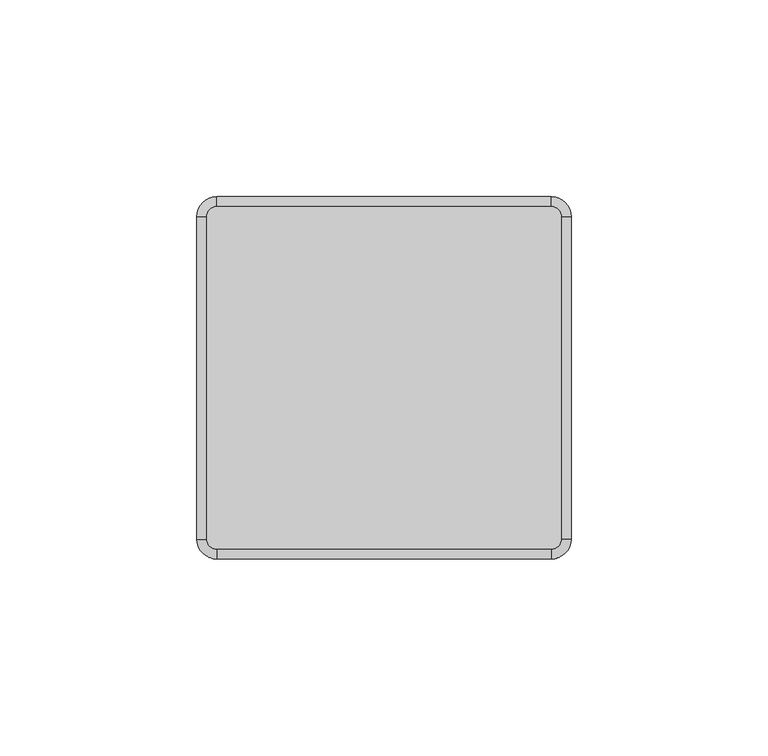
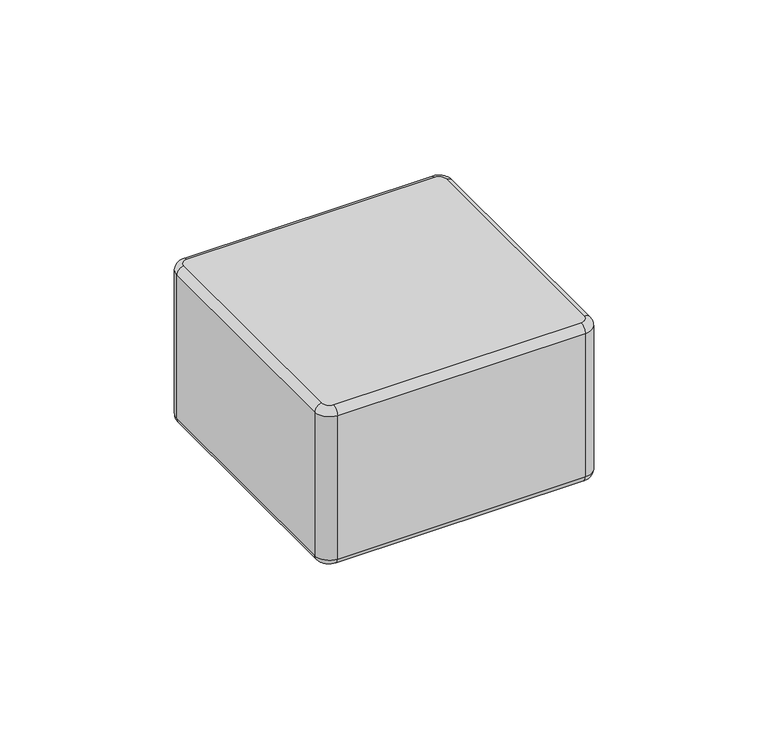
"""IFC4 building model written with IfcOpenShell, lengths in millimetres: plate geometry."""

from ifc_helpers import new_model, si_unit, point, frame, origin, place, context, project, spatial, circle_curve, ellipse_curve, trimmed, source, transform, mapped, element, save
from ifc_brep_helpers import plane_surface, cylinder_surface, revolved_surface, advanced_brep


def plate_2b5b68ee(model_context):
    return source(origin(), model_context, "Body", "AdvancedBrep", [
        advanced_brep(
        [(45.8616994, 41.0, 57.0), (43.3616994, 43.5, 57.0), (-41.6383006, 43.5, 57.0), (-44.1383006, 41.0, 57.0), (-44.1383006, -41.0, 57.0), (-41.6383006, -43.5, 57.0), (43.3616994, -43.5, 57.0), (45.8616994, -41.0, 57.0), (-44.1383006, 41.0, 0.0), (-41.6383006, 43.5, 0.0), (43.3616994, 43.5, 0.0), (45.8616994, 41.0, 0.0), (45.8616994, -41.0, 0.0), (43.3616994, -43.5, 0.0), (-41.6383006, -43.5, 0.0), (-44.1383006, -41.0, 0.0), (-41.6383006, -46.0, 2.5), (43.3616994, -46.0, 2.5), (43.3616994, -46.0, 54.5), (-41.6383006, -46.0, 54.5), (48.3616994, -41.0, 2.5), (48.3616994, 41.0, 2.5), (48.3616994, 41.0, 54.5000019), (48.3616994, -41.0, 54.5), (43.3616994, 46.0, 2.5), (-41.6383006, 46.0, 2.5), (-41.6383006, 46.0, 54.5), (43.3616994, 46.0, 54.5), (-46.6383006, 41.0, 2.5), (-46.6383006, -41.0, 2.5), (-46.6383006, -41.0, 54.5), (-46.6383006, 41.0, 54.5)],
        [
            (0, 1, circle_curve(frame((43.3616994, 41.0, 57.0), z_axis=(0.0, 0.0, 1.0), x_axis=(1.0, 0.0, 0.0)), 2.5)),
            (1, 2),
            (2, 3, circle_curve(frame((-41.6383006, 41.0, 57.0), z_axis=(0.0, 0.0, 1.0), x_axis=(0.0, 1.0, 0.0)), 2.5)),
            (3, 4),
            (4, 5, circle_curve(frame((-41.6383006, -41.0, 57.0), z_axis=(0.0, 0.0, 1.0), x_axis=(-1.0, 0.0, 0.0)), 2.5)),
            (5, 6),
            (6, 7, circle_curve(frame((43.3616994, -41.0, 57.0), z_axis=(0.0, 0.0, 1.0), x_axis=(0.0, -1.0, 0.0)), 2.5)),
            (7, 0),
            (8, 9, circle_curve(frame((-41.6383006, 41.0, 0.0), z_axis=(0.0, 0.0, -1.0), x_axis=(-1.0, 0.0, 0.0)), 2.5)),
            (9, 10),
            (10, 11, circle_curve(frame((43.3616994, 41.0, 0.0), z_axis=(0.0, 0.0, -1.0), x_axis=(0.0, 1.0, 0.0)), 2.5)),
            (11, 12),
            (12, 13, circle_curve(frame((43.3616994, -41.0, 0.0), z_axis=(0.0, 0.0, -1.0), x_axis=(1.0, 0.0, 0.0)), 2.5)),
            (13, 14),
            (14, 15, circle_curve(frame((-41.6383006, -41.0, 0.0), z_axis=(0.0, 0.0, -1.0), x_axis=(0.0, -1.0, 0.0)), 2.5)),
            (15, 8),
            (16, 17),
            (17, 18),
            (18, 19),
            (19, 16),
            (20, 21),
            (21, 22),
            (22, 23),
            (23, 20),
            (24, 25),
            (25, 26),
            (26, 27),
            (27, 24),
            (28, 29),
            (29, 30),
            (30, 31),
            (31, 28),
            (29, 16, circle_curve(frame((-41.6383006, -41.0, 2.5), z_axis=(0.0, 0.0, 1.0), x_axis=(1.0, 0.0, 0.0)), 5.0)),
            (19, 30, circle_curve(frame((-41.6383006, -41.0, 54.5), z_axis=(0.0, 0.0, -1.0), x_axis=(1.0, 0.0, 0.0)), 5.0)),
            (17, 20, circle_curve(frame((43.3616994, -41.0, 2.5), z_axis=(0.0, 0.0, 1.0), x_axis=(1.0, 0.0, 0.0)), 5.0)),
            (23, 18, circle_curve(frame((43.3616994, -41.0, 54.5), z_axis=(0.0, 0.0, -1.0), x_axis=(1.0, 0.0, 0.0)), 5.0)),
            (21, 24, circle_curve(frame((43.3616994, 41.0, 2.5), z_axis=(0.0, 0.0, 1.0), x_axis=(1.0, 0.0, 0.0)), 5.0)),
            (27, 22, circle_curve(frame((43.3616994, 41.0, 54.5), z_axis=(0.0, 0.0, -1.0), x_axis=(1.0, 0.0, 0.0)), 5.0)),
            (25, 28, circle_curve(frame((-41.6383006, 41.0, 2.5), z_axis=(0.0, 0.0, 1.0), x_axis=(1.0, 0.0, 0.0)), 5.0)),
            (31, 26, circle_curve(frame((-41.6383006, 41.0, 54.5), z_axis=(0.0, 0.0, -1.0), x_axis=(1.0, 0.0, 0.0)), 5.0)),
            (25, 9, circle_curve(frame((-41.6383006, 43.5, 2.5), z_axis=(-1.0, 0.0, 0.0), x_axis=(0.0, -1.0, 0.0)), 2.5)),
            (8, 28, circle_curve(frame((-44.1383006, 41.0, 2.5), z_axis=(0.0, 1.0, 0.0), x_axis=(1.0, 0.0, 0.0)), 2.5)),
            (24, 10, circle_curve(frame((43.3616994, 43.5, 2.5), z_axis=(-1.0, 0.0, 0.0), x_axis=(0.0, -1.0, 0.0)), 2.5)),
            (21, 11, circle_curve(frame((45.8616994, 41.0, 2.5), z_axis=(0.0, 1.0, 0.0), x_axis=(-1.0, 0.0, 0.0)), 2.5)),
            (20, 12, circle_curve(frame((45.8616994, -41.0, 2.5), z_axis=(0.0, 1.0, 0.0), x_axis=(-1.0, 0.0, 0.0)), 2.5)),
            (17, 13, circle_curve(frame((43.3616994, -43.5, 2.5), z_axis=(1.0, 0.0, 0.0), x_axis=(0.0, 1.0, 0.0)), 2.5)),
            (16, 14, circle_curve(frame((-41.6383006, -43.5, 2.5), z_axis=(1.0, 0.0, 0.0), x_axis=(0.0, 1.0, 0.0)), 2.5)),
            (29, 15, circle_curve(frame((-44.1383006, -41.0, 2.5), z_axis=(0.0, -1.0, 0.0), x_axis=(1.0, 0.0, 0.0)), 2.5)),
            (27, 1, circle_curve(frame((43.3616994, 43.5, 54.5), z_axis=(1.0, 0.0, 0.0), x_axis=(0.0, -1.0, 0.0)), 2.5)),
            (0, 22, circle_curve(frame((45.8616994, 41.0, 54.5), z_axis=(0.0, 1.0, 0.0), x_axis=(-1.0, 0.0, 0.0)), 2.5)),
            (26, 2, circle_curve(frame((-41.6383006, 43.5, 54.5), z_axis=(1.0, 0.0, 0.0), x_axis=(0.0, -1.0, 0.0)), 2.5)),
            (31, 3, circle_curve(frame((-44.1383006, 41.0, 54.5), z_axis=(0.0, 1.0, 0.0), x_axis=(1.0, 0.0, 0.0)), 2.5)),
            (30, 4, circle_curve(frame((-44.1383006, -41.0, 54.5), z_axis=(0.0, 1.0, 0.0), x_axis=(1.0, 0.0, 0.0)), 2.5)),
            (19, 5, circle_curve(frame((-41.6383006, -43.5, 54.5), z_axis=(-1.0, 0.0, 0.0), x_axis=(0.0, 1.0, 0.0)), 2.5)),
            (18, 6, circle_curve(frame((43.3616994, -43.5, 54.5), z_axis=(-1.0, 0.0, 0.0), x_axis=(0.0, 1.0, 0.0)), 2.5)),
            (23, 7, circle_curve(frame((45.8616994, -41.0, 54.5), z_axis=(0.0, -1.0, 0.0), x_axis=(-1.0, 0.0, 0.0)), 2.5)),
        ],
        [
            plane_surface(frame((-36.6383006, -41.0, 57.0), z_axis=(0.0, 0.0, 1.0), x_axis=(0.0, 1.0, 0.0))),
            plane_surface(frame((-36.6383006, -41.0, 0.0), z_axis=(0.0, 0.0, -1.0), x_axis=(0.0, -1.0, 0.0))),
            plane_surface(frame((-41.6383006, -46.0, 57.0), z_axis=(0.0, -1.0, 0.0), x_axis=(0.0, 0.0, -1.0))),
            plane_surface(frame((48.3616994, -41.0, 57.0), z_axis=(1.0, 0.0, 0.0), x_axis=(0.0, 0.0, -1.0))),
            plane_surface(frame((43.3616994, 46.0, 57.0), z_axis=(0.0, 1.0, 0.0), x_axis=(0.0, 0.0, -1.0))),
            plane_surface(frame((-46.6383006, 41.0, 57.0), z_axis=(-1.0, 0.0, 0.0), x_axis=(0.0, 0.0, -1.0))),
            cylinder_surface(frame((-41.6383006, -41.0, 0.0), z_axis=(0.0, 0.0, 1.0), x_axis=(1.0, 0.0, 0.0)), 5.0),
            cylinder_surface(frame((43.3616994, -41.0, 0.0), z_axis=(0.0, 0.0, 1.0), x_axis=(1.0, 0.0, 0.0)), 5.0),
            cylinder_surface(frame((43.3616994, 41.0, 0.0), z_axis=(0.0, 0.0, 1.0), x_axis=(1.0, 0.0, 0.0)), 5.0),
            cylinder_surface(frame((-41.6383006, 41.0, 0.0), z_axis=(0.0, 0.0, 1.0), x_axis=(1.0, 0.0, 0.0)), 5.0),
            revolved_surface(trimmed(ellipse_curve(frame((-44.1383006, 41.0, 2.5), z_axis=(0.0, -1.0, 0.0), x_axis=(1.0, 0.0, 0.0)), 2.5, 2.5), [point((-46.6383006, 41.0, 2.5))], [point((-44.1383006, 41.0, 0.0))], True, "CARTESIAN"), (-41.6383006, 41.0, 0.0), (0.0, 0.0, -1.0)),
            cylinder_surface(frame((-41.6383006, 43.5, 2.5), z_axis=(1.0, 0.0, 0.0), x_axis=(0.0, -1.0, 0.0)), 2.5),
            revolved_surface(trimmed(ellipse_curve(frame((43.3616994, 43.5, 2.5), z_axis=(-1.0, 0.0, 0.0), x_axis=(0.0, -1.0, 0.0)), 2.5, 2.5), [point((43.3616994, 46.0, 2.5))], [point((43.3616994, 43.5, 0.0))], True, "CARTESIAN"), (43.3616994, 41.0, 0.0), (0.0, 0.0, -1.0)),
            cylinder_surface(frame((45.8616994, 41.0, 2.5), z_axis=(0.0, -1.0, 0.0), x_axis=(-1.0, 0.0, 0.0)), 2.5),
            revolved_surface(trimmed(ellipse_curve(frame((45.8616994, -41.0, 2.5), z_axis=(0.0, 1.0, 0.0), x_axis=(-1.0, 0.0, 0.0)), 2.5, 2.5), [point((48.3616994, -41.0, 2.5))], [point((45.8616994, -41.0, 0.0))], True, "CARTESIAN"), (43.3616994, -41.0, 0.0), (0.0, 0.0, -1.0)),
            cylinder_surface(frame((43.3616994, -43.5, 2.5), z_axis=(-1.0, 0.0, 0.0), x_axis=(0.0, 1.0, 0.0)), 2.5),
            revolved_surface(trimmed(ellipse_curve(frame((-41.6383006, -43.5, 2.5), z_axis=(1.0, 0.0, 0.0), x_axis=(0.0, 1.0, 0.0)), 2.5, 2.5), [point((-41.6383006, -46.0, 2.5))], [point((-41.6383006, -43.5, 0.0))], True, "CARTESIAN"), (-41.6383006, -41.0, 0.0), (0.0, 0.0, -1.0)),
            cylinder_surface(frame((-44.1383006, -41.0, 2.5), z_axis=(0.0, 1.0, 0.0), x_axis=(1.0, 0.0, 0.0)), 2.5),
            revolved_surface(trimmed(ellipse_curve(frame((45.8616994, 41.0, 54.5), z_axis=(0.0, -1.0, 0.0), x_axis=(-1.0, 0.0, 0.0)), 2.5, 2.5), [point((48.3616994, 41.0, 54.5))], [point((45.8616994, 41.0, 57.0))], True, "CARTESIAN"), (43.3616994, 41.0, 57.0), (0.0, 0.0, 1.0)),
            cylinder_surface(frame((43.3616994, 43.5, 54.5), z_axis=(-1.0, 0.0, 0.0), x_axis=(0.0, -1.0, 0.0)), 2.5),
            revolved_surface(trimmed(ellipse_curve(frame((-41.6383006, 43.5, 54.5), z_axis=(1.0, 0.0, 0.0), x_axis=(0.0, -1.0, 0.0)), 2.5, 2.5), [point((-41.6383006, 46.0, 54.5))], [point((-41.6383006, 43.5, 57.0))], True, "CARTESIAN"), (-41.6383006, 41.0, 57.0), (0.0, 0.0, 1.0)),
            cylinder_surface(frame((-44.1383006, 41.0, 54.5), z_axis=(0.0, -1.0, 0.0), x_axis=(1.0, 0.0, 0.0)), 2.5),
            revolved_surface(trimmed(ellipse_curve(frame((-44.1383006, -41.0, 54.5), z_axis=(0.0, 1.0, 0.0), x_axis=(1.0, 0.0, 0.0)), 2.5, 2.5), [point((-46.6383006, -41.0, 54.5))], [point((-44.1383006, -41.0, 57.0))], True, "CARTESIAN"), (-41.6383006, -41.0, 57.0), (0.0, 0.0, 1.0)),
            cylinder_surface(frame((-41.6383006, -43.5, 54.5), z_axis=(1.0, 0.0, 0.0), x_axis=(0.0, 1.0, 0.0)), 2.5),
            revolved_surface(trimmed(ellipse_curve(frame((43.3616994, -43.5, 54.5), z_axis=(-1.0, 0.0, 0.0), x_axis=(0.0, 1.0, 0.0)), 2.5, 2.5), [point((43.3616994, -46.0, 54.5))], [point((43.3616994, -43.5, 57.0))], True, "CARTESIAN"), (43.3616994, -41.0, 57.0), (0.0, 0.0, 1.0)),
            cylinder_surface(frame((45.8616994, -41.0, 54.5), z_axis=(0.0, 1.0, 0.0), x_axis=(-1.0, 0.0, 0.0)), 2.5),
        ],
        [
            (0, [[1, 2, 3, 4, 5, 6, 7, 8]]),
            (1, [[9, 10, 11, 12, 13, 14, 15, 16]]),
            (2, [[17, 18, 19, 20]]),
            (3, [[21, 22, 23, 24]]),
            (4, [[25, 26, 27, 28]]),
            (5, [[29, 30, 31, 32]]),
            (6, [[33, -20, 34, -30]]),
            (7, [[35, -24, 36, -18]]),
            (8, [[37, -28, 38, -22]]),
            (9, [[39, -32, 40, -26]]),
            (10, [[41, -9, 42, -39]]),
            (11, [[-41, -25, 43, -10]]),
            (12, [[-43, -37, 44, -11]]),
            (13, [[-44, -21, 45, -12]]),
            (14, [[-45, -35, 46, -13]]),
            (15, [[-46, -17, 47, -14]]),
            (16, [[-47, -33, 48, -15]]),
            (17, [[-42, -16, -48, -29]]),
            (18, [[49, -1, 50, -38]]),
            (19, [[-49, -27, 51, -2]]),
            (20, [[-51, -40, 52, -3]]),
            (21, [[-52, -31, 53, -4]]),
            (22, [[-53, -34, 54, -5]]),
            (23, [[-54, -19, 55, -6]]),
            (24, [[-55, -36, 56, -7]]),
            (25, [[-50, -8, -56, -23]]),
        ],
    ),
    ])


if __name__ == "__main__":
    model = new_model("IFC4")
    model_context = context("Model", 3, world=origin())
    ifc_project = project(units=[si_unit("LENGTHUNIT", "METRE", prefix="MILLI")], contexts=[model_context])
    site = spatial("IfcSite", under=ifc_project)
    building = spatial("IfcBuilding", under=site)
    placement = place(None, origin())
    plate_shape = plate_2b5b68ee(model_context)
    element("IfcPlate", 1, at=placement, inside=building, context=model_context, shape_type="MappedRepresentation", body=[
        mapped(plate_shape, transform((0.0, 0.0, 0.0), x_axis=(1.0, 0.0, 0.0), y_axis=(0.0, 1.0, 0.0), z_axis=(0.0, 0.0, 1.0))),
    ])
    save(model, "model.ifc")
